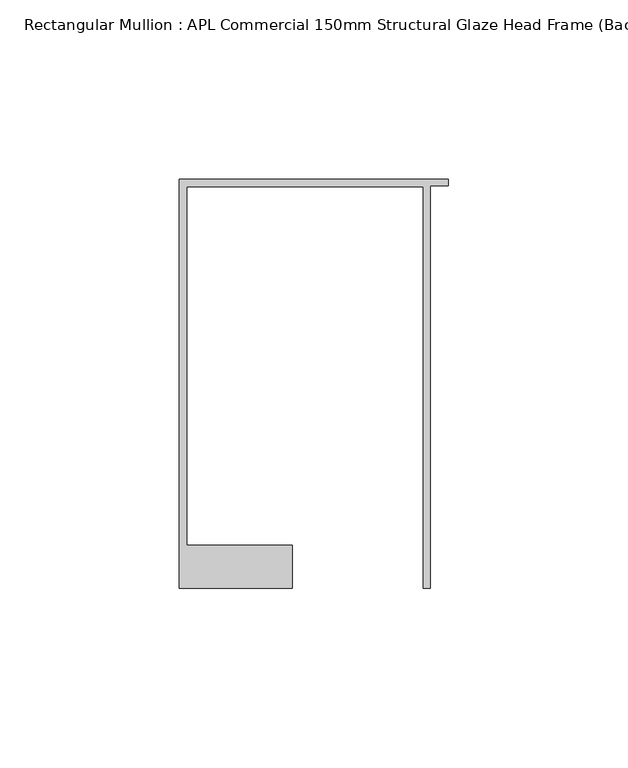
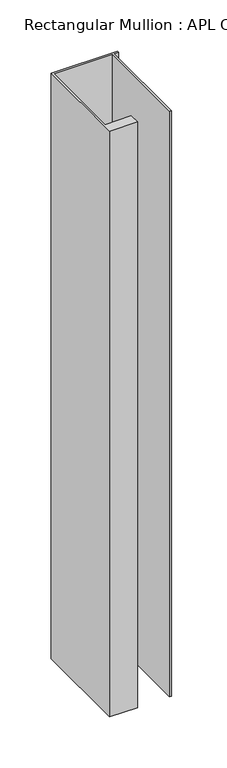
"""IFC4 building model written with IfcOpenShell, lengths in millimetres: member geometry, Rectangular Mullion : APL Commercial 150mm Structural Glaze Head Frame (Back)."""

from ifc_helpers import new_model, si_unit, frame, origin, place, context, project, spatial, polyline, outline, extrude, source, transform, mapped, element, save


def rectangular_mullion_apl_commercial_150mm_structural_glaze_ec0ad4e7(model_context):
    return source(origin(), model_context, "Body", "SweptSolid", [
        extrude(outline(polyline([(-75.0, 128.9993063), (0.0, 128.9993063), (0.0, 127.1993063), (-5.0, 127.1993063), (-5.0, 14.9998342), (-7.0, 14.9998342), (-7.0, 126.9993063), (-73.0, 126.9993063), (-73.0, 26.9997514), (-43.5000151, 26.9997514), (-43.5000151, 14.9998342), (-75.0, 14.9998342), (-75.0, 128.9993063)])), frame((0.0, 0.0, -698.0499782), z_axis=(0.0, 0.0, 1.0), x_axis=(1.0, 0.0, 0.0)), (0.0, 0.0, 1.0), 698.0499782),
    ])


if __name__ == "__main__":
    model = new_model("IFC4")
    model_context = context("Model", 3, world=origin())
    ifc_project = project(units=[si_unit("LENGTHUNIT", "METRE", prefix="MILLI")], contexts=[model_context])
    site = spatial("IfcSite", under=ifc_project)
    building = spatial("IfcBuilding", under=site)
    placement = place(None, origin())
    rectangular_mullion_apl_commercial_150mm_structural_glaze_shape = rectangular_mullion_apl_commercial_150mm_structural_glaze_ec0ad4e7(model_context)
    element("IfcMember", 1, ObjectType="Rectangular Mullion : APL Commercial 150mm Structural Glaze Head Frame (Back)", at=placement, inside=building, context=model_context, shape_type="MappedRepresentation", body=[
        mapped(rectangular_mullion_apl_commercial_150mm_structural_glaze_shape, transform((0.0, 0.0, 0.0), x_axis=(1.0, 0.0, 0.0), y_axis=(0.0, 1.0, 0.0), z_axis=(0.0, 0.0, 1.0))),
    ])
    save(model, "model.ifc")
